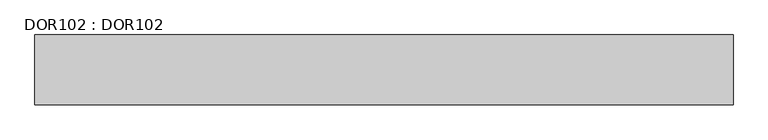
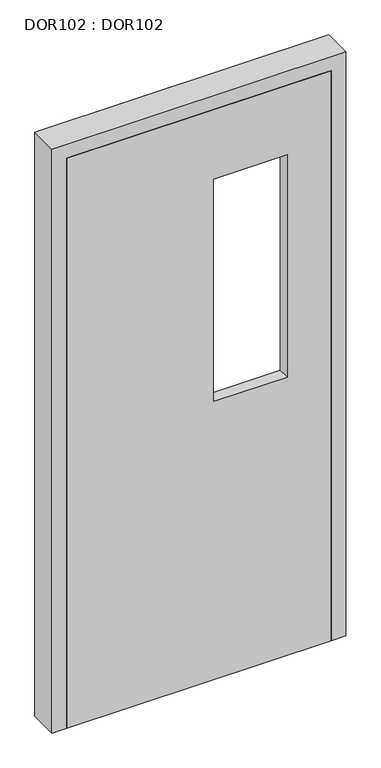
"""IFC4 building model written with IfcOpenShell, lengths in millimetres: proxy geometry, DOR102 : DOR102."""

from ifc_helpers import new_model, si_unit, frame, origin, place, context, project, spatial, polyline, outline, extrude, faceted_brep, source, transform, mapped, element, save


def dor102_dor102_ef3cc50d(model_context):
    return source(origin(), model_context, "Body", "SolidModel", [
        extrude(outline(polyline([(2050.0000156, 950.0000072), (2050.0000156, 50.0000004), (0.0, 50.0000004), (0.0, 950.0000072), (2050.0000156, 950.0000072)]), holes=[polyline([(1800.0000137, 550.0000042), (1800.0000137, 800.0000061), (1000.0000076, 800.0000061), (1000.0000076, 550.0000042), (1800.0000137, 550.0000042)])]), frame((0.0, -100.0187192, 0.0), z_axis=(0.0, 1.0, 0.0), x_axis=(0.0, 0.0, 1.0)), (0.0, 0.0, 1.0), 40.0000021),
        faceted_brep([(0.0, -0.0187185, 2100.000016), (0.0, -100.0, 2100.000016), (1000.0000076, -100.0187192, 2100.000016), (1000.0000076, -0.0187185, 2100.000016), (50.0, -0.0187185, 0.0), (50.0, -100.0, 0.0), (0.0, -100.0, 0.0), (0.0, -0.0187185, 0.0), (1000.0000076, -0.0187185, 0.0), (1000.0000076, -100.0187192, 0.0), (950.0000072, -100.0187192, 0.0), (950.0000072, -0.0187185, 0.0), (950.0000072, -0.0187185, 2050.0000156), (50.0, -0.0187185, 2050.0000156), (50.0, -100.0, 2050.0000156), (950.0000072, -100.0, 2050.0000156)], [[[0, 1, 2, 3]], [[4, 5, 6, 7]], [[8, 9, 10, 11]], [[0, 3, 8, 11, 12, 13, 4, 7]], [[1, 0, 7, 6]], [[2, 1, 6, 5, 14, 15, 10, 9]], [[5, 4, 13, 14]], [[11, 10, 15, 12]], [[3, 2, 9, 8]], [[15, 14, 13, 12]]]),
    ])


if __name__ == "__main__":
    model = new_model("IFC4")
    model_context = context("Model", 3, world=origin())
    ifc_project = project(units=[si_unit("LENGTHUNIT", "METRE", prefix="MILLI")], contexts=[model_context])
    site = spatial("IfcSite", under=ifc_project)
    building = spatial("IfcBuilding", under=site)
    placement = place(None, origin())
    dor102_dor102_shape = dor102_dor102_ef3cc50d(model_context)
    element("IfcBuildingElementProxy", 1, Name="DOR102 : DOR102", ObjectType="DOR102 : DOR102", at=placement, inside=building, context=model_context, shape_type="MappedRepresentation", body=[
        mapped(dor102_dor102_shape, transform((0.0, 0.0, 0.0), x_axis=(1.0, 0.0, 0.0), y_axis=(0.0, 1.0, 0.0), z_axis=(0.0, 0.0, 1.0))),
    ])
    save(model, "model.ifc")
